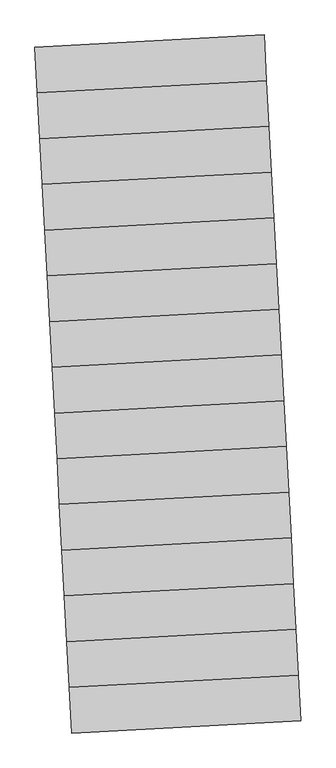
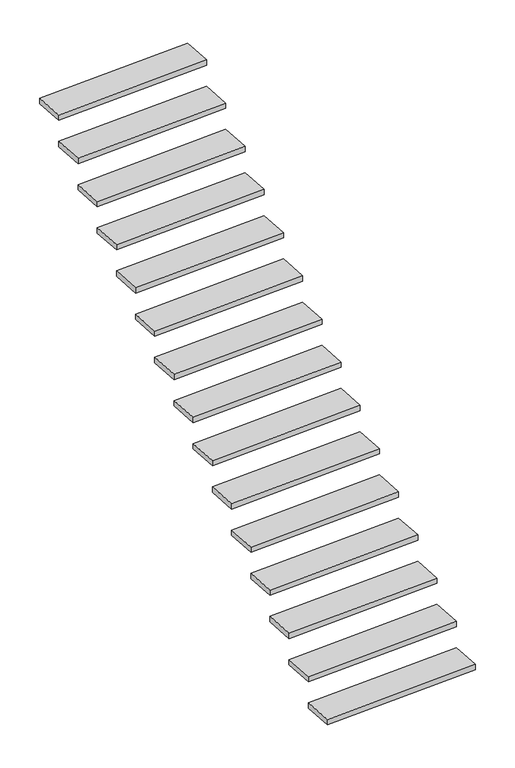
"""IFC4 building model written with IfcOpenShell, lengths in millimetres: stair flight geometry."""

from ifc_helpers import new_model, si_unit, frame, origin, place, context, project, spatial, polyline, outline, extrude, source, transform, mapped, element, save


def stair_flight_1fd85912(model_context):
    return source(origin(), model_context, "Body", "SweptSolid", [
        extrude(outline(polyline([(-133361.5890645, 120560.4640675), (-132260.7046478, 120619.5707569), (-132248.9097948, 120399.8871629), (-133349.7942115, 120340.7804736), (-133361.5890645, 120560.4640675)])), frame((0.0, 0.0, -9085.5773923), z_axis=(0.0, 0.0, 1.0), x_axis=(1.0, 0.0, 0.0)), (0.0, 0.0, 1.0), 40.0),
        extrude(outline(polyline([(-133373.3839176, 120780.1476614), (-132272.4995009, 120839.2543508), (-132260.7046478, 120619.5707569), (-133361.5890645, 120560.4640675), (-133373.3839176, 120780.1476614)])), frame((0.0, 0.0, -8885.3388995), z_axis=(0.0, 0.0, 1.0), x_axis=(1.0, 0.0, 0.0)), (0.0, 0.0, 1.0), 40.0),
        extrude(outline(polyline([(-133385.1787707, 120999.8312553), (-132284.294354, 121058.9379447), (-132272.4995009, 120839.2543508), (-133373.3839176, 120780.1476614), (-133385.1787707, 120999.8312553)])), frame((0.0, 0.0, -8685.1004067), z_axis=(0.0, 0.0, 1.0), x_axis=(1.0, 0.0, 0.0)), (0.0, 0.0, 1.0), 40.0),
        extrude(outline(polyline([(-133396.9736238, 121219.5148493), (-132296.089207, 121278.6215386), (-132284.294354, 121058.9379447), (-133385.1787707, 120999.8312553), (-133396.9736238, 121219.5148493)])), frame((0.0, 0.0, -8484.8619138), z_axis=(0.0, 0.0, 1.0), x_axis=(1.0, 0.0, 0.0)), (0.0, 0.0, 1.0), 40.0),
        extrude(outline(polyline([(-133408.7684768, 121439.1984432), (-132307.8840601, 121498.3051326), (-132296.089207, 121278.6215386), (-133396.9736238, 121219.5148493), (-133408.7684768, 121439.1984432)])), frame((0.0, 0.0, -8284.623421), z_axis=(0.0, 0.0, 1.0), x_axis=(1.0, 0.0, 0.0)), (0.0, 0.0, 1.0), 40.0),
        extrude(outline(polyline([(-133420.5633299, 121658.8820371), (-132319.6789132, 121717.9887265), (-132307.8840601, 121498.3051326), (-133408.7684768, 121439.1984432), (-133420.5633299, 121658.8820371)])), frame((0.0, 0.0, -8084.3849282), z_axis=(0.0, 0.0, 1.0), x_axis=(1.0, 0.0, 0.0)), (0.0, 0.0, 1.0), 40.0),
        extrude(outline(polyline([(-133432.358183, 121878.5656311), (-132331.4737663, 121937.6723204), (-132319.6789132, 121717.9887265), (-133420.5633299, 121658.8820371), (-133432.358183, 121878.5656311)])), frame((0.0, 0.0, -7884.1464354), z_axis=(0.0, 0.0, 1.0), x_axis=(1.0, 0.0, 0.0)), (0.0, 0.0, 1.0), 40.0),
        extrude(outline(polyline([(-133444.153036, 122098.249225), (-132343.2686193, 122157.3559143), (-132331.4737663, 121937.6723204), (-133432.358183, 121878.5656311), (-133444.153036, 122098.249225)])), frame((0.0, 0.0, -7683.9079426), z_axis=(0.0, 0.0, 1.0), x_axis=(1.0, 0.0, 0.0)), (0.0, 0.0, 1.0), 40.0),
        extrude(outline(polyline([(-133455.9478891, 122317.9328189), (-132355.0634724, 122377.0395083), (-132343.2686193, 122157.3559143), (-133444.153036, 122098.249225), (-133455.9478891, 122317.9328189)])), frame((0.0, 0.0, -7483.6694497), z_axis=(0.0, 0.0, 1.0), x_axis=(1.0, 0.0, 0.0)), (0.0, 0.0, 1.0), 40.0),
        extrude(outline(polyline([(-133467.7427422, 122537.6164128), (-132366.8583255, 122596.7231022), (-132355.0634724, 122377.0395083), (-133455.9478891, 122317.9328189), (-133467.7427422, 122537.6164128)])), frame((0.0, 0.0, -7283.4309569), z_axis=(0.0, 0.0, 1.0), x_axis=(1.0, 0.0, 0.0)), (0.0, 0.0, 1.0), 40.0),
        extrude(outline(polyline([(-133479.5375953, 122757.3000068), (-132378.6531786, 122816.4066961), (-132366.8583255, 122596.7231022), (-133467.7427422, 122537.6164128), (-133479.5375953, 122757.3000068)])), frame((0.0, 0.0, -7083.1924641), z_axis=(0.0, 0.0, 1.0), x_axis=(1.0, 0.0, 0.0)), (0.0, 0.0, 1.0), 40.0),
        extrude(outline(polyline([(-133491.3324483, 122976.9836007), (-132390.4480316, 123036.0902901), (-132378.6531786, 122816.4066961), (-133479.5375953, 122757.3000068), (-133491.3324483, 122976.9836007)])), frame((0.0, 0.0, -6882.9539713), z_axis=(0.0, 0.0, 1.0), x_axis=(1.0, 0.0, 0.0)), (0.0, 0.0, 1.0), 40.0),
        extrude(outline(polyline([(-133503.1273014, 123196.6671946), (-132402.2428847, 123255.773884), (-132390.4480316, 123036.0902901), (-133491.3324483, 122976.9836007), (-133503.1273014, 123196.6671946)])), frame((0.0, 0.0, -6682.7154785), z_axis=(0.0, 0.0, 1.0), x_axis=(1.0, 0.0, 0.0)), (0.0, 0.0, 1.0), 40.0),
        extrude(outline(polyline([(-133514.9221545, 123416.3507886), (-132414.0377378, 123475.4574779), (-132402.2428847, 123255.773884), (-133503.1273014, 123196.6671946), (-133514.9221545, 123416.3507886)])), frame((0.0, 0.0, -6482.4769856), z_axis=(0.0, 0.0, 1.0), x_axis=(1.0, 0.0, 0.0)), (0.0, 0.0, 1.0), 40.0),
        extrude(outline(polyline([(-133526.7170076, 123636.0343825), (-132425.8325908, 123695.1410718), (-132414.0377378, 123475.4574779), (-133514.9221545, 123416.3507886), (-133526.7170076, 123636.0343825)])), frame((0.0, 0.0, -6282.2384928), z_axis=(0.0, 0.0, 1.0), x_axis=(1.0, 0.0, 0.0)), (0.0, 0.0, 1.0), 40.0),
    ])


if __name__ == "__main__":
    model = new_model("IFC4")
    model_context = context("Model", 3, world=origin())
    ifc_project = project(units=[si_unit("LENGTHUNIT", "METRE", prefix="MILLI")], contexts=[model_context])
    site = spatial("IfcSite", under=ifc_project)
    building = spatial("IfcBuilding", under=site)
    placement = place(None, origin())
    stair_flight_shape = stair_flight_1fd85912(model_context)
    element("IfcStairFlight", 1, at=placement, inside=building, context=model_context, shape_type="MappedRepresentation", body=[
        mapped(stair_flight_shape, transform((0.0, 0.0, 0.0), x_axis=(1.0, 0.0, 0.0), y_axis=(0.0, 1.0, 0.0), z_axis=(0.0, 0.0, 1.0))),
    ])
    save(model, "model.ifc")
